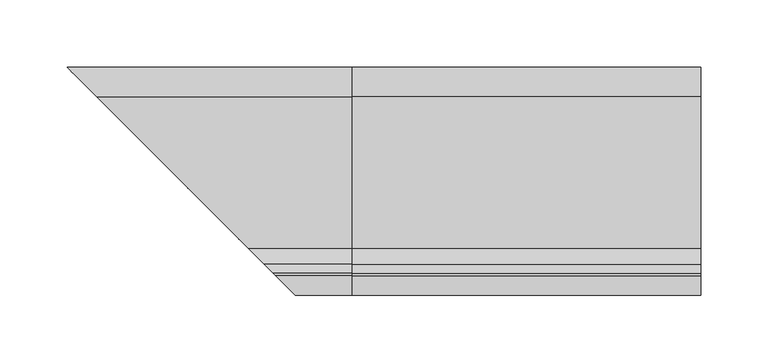
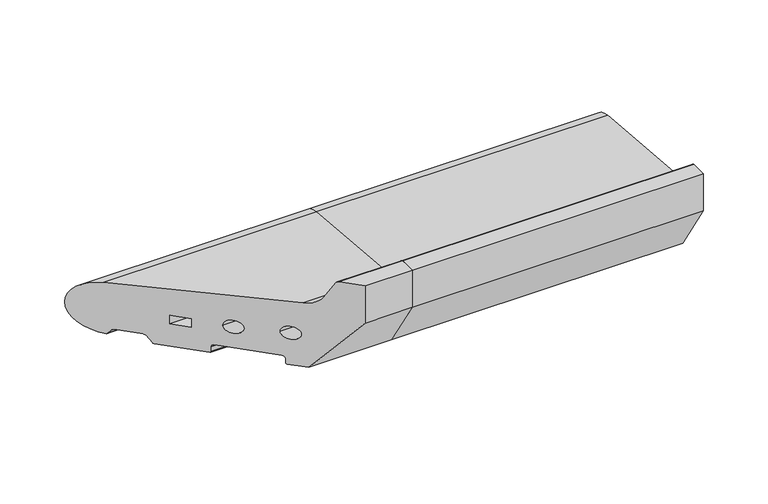
"""IFC4 building model written with IfcOpenShell, lengths in millimetres: proxy geometry."""

from ifc_helpers import new_model, si_unit, point, frame, frame_2d, origin, place, context, project, spatial, polyline, circle_curve, ellipse_curve, trimmed, segment, composite_curve, outline, extrude, source, transform, mapped, element, save
from ifc_brep_helpers import plane_surface, cylinder_surface, revolved_surface, advanced_brep


def generic_models_5caa3910(model_context):
    return source(origin(), model_context, "Body", "SolidModel", [
        advanced_brep(
        [(0.0, 28.0858073, 50.4091909), (0.0, -85.0967541, 60.2830933), (0.0, -96.6696696, 68.5358083), (0.0, -103.4717243, 83.8134733), (0.0, -105.2988152, 85.0), (0.0, -120.0, 85.0), (0.0, -120.0, 50.0), (0.0, -88.0, 0.0), (0.0, -76.0, 0.0), (0.0, -75.0, 1.0), (0.0, -75.0, 5.5), (0.0, -73.0, 7.5), (0.0, -35.0, 7.5), (0.0, -33.0, 5.5), (0.0, -33.0, 1.0), (0.0, -32.0, 0.0), (0.0, -0.5773503, 0.0), (0.0, 0.2886751, 0.5), (0.0, 3.7527767, 6.5), (0.0, 5.4848276, 7.5), (0.0, 21.9585481, 7.5), (0.0, 23.6905989, 6.5), (0.0, 25.7072001, 3.0071443), (0.0, 26.5981483, 2.5074549), (0.0, -9.5, 28.9289), (0.0, -9.5, 20.9289), (0.0, -21.5, 20.9289), (0.0, -21.5, 28.9289), (0.0, -51.5, 27.333), (0.0, -39.5, 27.333), (0.0, -84.0, 30.0), (0.0, -72.0, 30.0), (-188.5981483, 26.5981483, 2.5074549), (-212.0, 50.0, 26.5), (-190.0858073, 28.0858073, 50.4091909), (-187.7072001, 25.7072001, 3.0071443), (-185.6905989, 23.6905989, 6.5), (-183.9585481, 21.9585481, 7.5), (-167.4848276, 5.4848276, 7.5), (-165.7527767, 3.7527767, 6.5), (-162.2886751, 0.2886751, 0.5), (-161.4226497, -0.5773503, 0.0), (-130.0, -32.0, 0.0), (-129.0, -33.0, 1.0), (-129.0, -33.0, 5.5), (-127.0, -35.0, 7.5), (-89.0, -73.0, 7.5), (-87.0, -75.0, 5.5), (-87.0, -75.0, 1.0), (-86.0, -76.0, 0.0), (-74.0, -88.0, 0.0), (-42.0, -120.0, 50.0), (-56.7011848, -105.2988152, 85.0), (-42.0, -120.0, 85.0), (-58.5282757, -103.4717243, 83.8134733), (-65.3303304, -96.6696696, 68.5358083), (-76.9032459, -85.0967541, 60.2830933), (-140.5, -21.5, 28.9289), (-152.5, -9.5, 28.9289), (-140.5, -21.5, 20.9289), (-152.5, -9.5, 20.9289), (-122.5, -39.5, 27.333), (-110.5, -51.5, 27.333), (-90.0, -72.0, 30.0), (-78.0, -84.0, 30.0)],
        [
            (0, 1),
            (1, 2, circle_curve(frame((0.0, -83.8800332, 74.2301213), z_axis=(-1.0, 0.0, 0.0), x_axis=(0.0, 1.0, 0.0)), 14.0)),
            (2, 3),
            (3, 4, circle_curve(frame((0.0, -105.2988152, 83.0), z_axis=(1.0, 0.0, 0.0), x_axis=(0.0, 1.0, 0.0)), 2.0)),
            (4, 5),
            (5, 6),
            (6, 7),
            (7, 8),
            (8, 9, circle_curve(frame((0.0, -76.0, 1.0), z_axis=(1.0, 0.0, 0.0), x_axis=(0.0, 1.0, 0.0)), 1.0)),
            (9, 10),
            (10, 11, circle_curve(frame((0.0, -73.0, 5.5), z_axis=(-1.0, 0.0, 0.0), x_axis=(0.0, 1.0, 0.0)), 2.0)),
            (11, 12),
            (12, 13, circle_curve(frame((0.0, -35.0, 5.5), z_axis=(-1.0, 0.0, 0.0), x_axis=(0.0, 1.0, 0.0)), 2.0)),
            (13, 14),
            (14, 15, circle_curve(frame((0.0, -32.0, 1.0), z_axis=(1.0, 0.0, 0.0), x_axis=(0.0, 1.0, 0.0)), 1.0)),
            (15, 16),
            (16, 17, circle_curve(frame((0.0, -0.5773503, 1.0), z_axis=(1.0, 0.0, 0.0), x_axis=(0.0, 1.0, 0.0)), 1.0)),
            (17, 18),
            (18, 19, circle_curve(frame((0.0, 5.4848276, 5.5), z_axis=(-1.0, 0.0, 0.0), x_axis=(0.0, 1.0, 0.0)), 2.0)),
            (19, 20),
            (20, 21, circle_curve(frame((0.0, 21.9585481, 5.5), z_axis=(-1.0, 0.0, 0.0), x_axis=(0.0, 1.0, 0.0)), 2.0)),
            (21, 22),
            (22, 23, circle_curve(frame((0.0, 26.5732255, 3.5071443), z_axis=(1.0, 0.0, 0.0), x_axis=(0.0, 1.0, 0.0)), 1.0)),
            (23, 0, circle_curve(frame((0.0, 26.0, 26.5), z_axis=(1.0, 0.0, 0.0), x_axis=(0.0, 1.0, 0.0)), 24.0)),
            (24, 25),
            (25, 26),
            (26, 27),
            (27, 24),
            (28, 29, circle_curve(frame((0.0, -45.5, 27.333), z_axis=(-1.0, 0.0, 0.0), x_axis=(0.0, 1.0, 0.0)), 6.0)),
            (29, 28, circle_curve(frame((0.0, -45.5, 27.333), z_axis=(-1.0, 0.0, 0.0), x_axis=(0.0, 1.0, 0.0)), 6.0)),
            (30, 31, circle_curve(frame((0.0, -78.0, 30.0), z_axis=(-1.0, 0.0, 0.0), x_axis=(0.0, 1.0, 0.0)), 6.0)),
            (31, 30, circle_curve(frame((0.0, -78.0, 30.0), z_axis=(-1.0, 0.0, 0.0), x_axis=(0.0, 1.0, 0.0)), 6.0)),
            (23, 32),
            (32, 33, ellipse_curve(frame((-188.0, 26.0, 26.5), z_axis=(0.7071067811865481, 0.707106781186547, 0.0), x_axis=(-0.7071067811865468, 0.7071067811865481, 0.0)), 33.9411255, 24.0)),
            (33, 34, ellipse_curve(frame((-188.0, 26.0, 26.5), z_axis=(0.7071067811865481, 0.707106781186547, 0.0), x_axis=(-0.7071067811865468, 0.7071067811865481, 0.0)), 33.9411255, 24.0)),
            (34, 0),
            (22, 35),
            (35, 32, ellipse_curve(frame((-188.5732255, 26.5732255, 3.5071443), z_axis=(0.7071067811865481, 0.707106781186547, 0.0), x_axis=(-0.7071067811865468, 0.7071067811865481, 0.0)), 1.4142136, 1.0)),
            (21, 36),
            (36, 35),
            (20, 37),
            (37, 36, ellipse_curve(frame((-183.9585481, 21.9585481, 5.5), z_axis=(-0.7071067811865481, -0.707106781186547, 0.0), x_axis=(0.7071067811865468, -0.7071067811865481, 0.0)), 2.8284271, 2.0)),
            (19, 38),
            (38, 37),
            (18, 39),
            (39, 38, ellipse_curve(frame((-167.4848276, 5.4848276, 5.5), z_axis=(-0.7071067811865481, -0.707106781186547, 0.0), x_axis=(0.7071067811865468, -0.7071067811865481, 0.0)), 2.8284271, 2.0)),
            (17, 40),
            (40, 39),
            (16, 41),
            (41, 40, ellipse_curve(frame((-161.4226497, -0.5773503, 1.0), z_axis=(0.7071067811865481, 0.707106781186547, 0.0), x_axis=(-0.7071067811865468, 0.7071067811865481, 0.0)), 1.4142136, 1.0)),
            (15, 42),
            (42, 41),
            (14, 43),
            (43, 42, ellipse_curve(frame((-130.0, -32.0, 1.0), z_axis=(0.7071067811865481, 0.707106781186547, 0.0), x_axis=(-0.7071067811865468, 0.7071067811865481, 0.0)), 1.4142136, 1.0)),
            (13, 44),
            (44, 43),
            (12, 45),
            (45, 44, ellipse_curve(frame((-127.0, -35.0, 5.5), z_axis=(-0.7071067811865481, -0.707106781186547, 0.0), x_axis=(0.7071067811865468, -0.7071067811865481, 0.0)), 2.8284271, 2.0)),
            (11, 46),
            (46, 45),
            (10, 47),
            (47, 46, ellipse_curve(frame((-89.0, -73.0, 5.5), z_axis=(-0.7071067811865481, -0.707106781186547, 0.0), x_axis=(0.7071067811865468, -0.7071067811865481, 0.0)), 2.8284271, 2.0)),
            (9, 48),
            (48, 47),
            (8, 49),
            (49, 48, ellipse_curve(frame((-86.0, -76.0, 1.0), z_axis=(0.7071067811865481, 0.707106781186547, 0.0), x_axis=(-0.7071067811865468, 0.7071067811865481, 0.0)), 1.4142136, 1.0)),
            (7, 50),
            (50, 49),
            (6, 51),
            (51, 50),
            (4, 52),
            (52, 53),
            (53, 5),
            (3, 54),
            (54, 52, ellipse_curve(frame((-56.7011848, -105.2988152, 83.0), z_axis=(0.7071067811865481, 0.707106781186547, 0.0), x_axis=(-0.7071067811865468, 0.7071067811865481, 0.0)), 2.8284271, 2.0)),
            (2, 55),
            (55, 54),
            (1, 56),
            (56, 55, ellipse_curve(frame((-78.1199668, -83.8800332, 74.2301213), z_axis=(-0.7071067811865481, -0.707106781186547, 0.0), x_axis=(0.7071067811865468, -0.7071067811865481, 0.0)), 19.7989899, 14.0)),
            (34, 56),
            (27, 57),
            (57, 58),
            (58, 24),
            (26, 59),
            (59, 57),
            (25, 60),
            (60, 59),
            (58, 60),
            (29, 61),
            (61, 62, ellipse_curve(frame((-116.5, -45.5, 27.333), z_axis=(-0.7071067811865481, -0.707106781186547, 0.0), x_axis=(0.7071067811865468, -0.7071067811865481, 0.0)), 8.4852814, 6.0)),
            (62, 28),
            (62, 61, ellipse_curve(frame((-116.5, -45.5, 27.333), z_axis=(-0.7071067811865481, -0.707106781186547, 0.0), x_axis=(0.7071067811865468, -0.7071067811865481, 0.0)), 8.4852814, 6.0)),
            (31, 63),
            (63, 64, ellipse_curve(frame((-84.0, -78.0, 30.0), z_axis=(-0.7071067811865481, -0.707106781186547, 0.0), x_axis=(0.7071067811865468, -0.7071067811865481, 0.0)), 8.4852814, 6.0)),
            (64, 30),
            (64, 63, ellipse_curve(frame((-84.0, -78.0, 30.0), z_axis=(-0.7071067811865481, -0.707106781186547, 0.0), x_axis=(0.7071067811865468, -0.7071067811865481, 0.0)), 8.4852814, 6.0)),
            (51, 53),
        ],
        [
            plane_surface(frame((0.0, 0.0, 0.0), z_axis=(1.0, 0.0, 0.0), x_axis=(0.0, 0.0, 1.0))),
            cylinder_surface(frame((-212.0, 26.0, 26.5), z_axis=(-1.0, 0.0, 0.0), x_axis=(0.0, 1.0, 0.0)), 24.0),
            cylinder_surface(frame((-212.0, 26.5732255, 3.5071443), z_axis=(-1.0, 0.0, 0.0), x_axis=(0.0, 1.0, 0.0)), 1.0),
            plane_surface(frame((-212.0, 25.7072001, 3.0071443), z_axis=(0.0, -0.8660254037844404, -0.4999999999999971), x_axis=(1.0, 0.0, 0.0))),
            revolved_surface(polyline([(0.0, 23.9585481, 5.5), (-185.9585480825018, 23.9585481, 5.5)]), (-212.0, 21.9585481, 5.5), (1.0, 0.0, 0.0)),
            plane_surface(frame((-212.0, 21.9585481, 7.5), z_axis=(0.0, 0.0, -1.0), x_axis=(1.0, 0.0, 0.0))),
            revolved_surface(polyline([(0.0, 7.4848276, 5.5), (-169.4848275825018, 7.4848276, 5.5)]), (-212.0, 5.4848276, 5.5), (1.0, 0.0, 0.0)),
            plane_surface(frame((-212.0, 3.7527767, 6.5), z_axis=(0.0, 0.8660254037844436, -0.4999999999999914), x_axis=(1.0, 0.0, 0.0))),
            cylinder_surface(frame((-212.0, -0.5773503, 1.0), z_axis=(-1.0, 0.0, 0.0), x_axis=(0.0, 1.0, 0.0)), 1.0),
            plane_surface(frame((-212.0, -0.5773503, 0.0), z_axis=(0.0, 0.0, -1.0), x_axis=(1.0, 0.0, 0.0))),
            cylinder_surface(frame((-212.0, -32.0, 1.0), z_axis=(-1.0, 0.0, 0.0), x_axis=(0.0, 1.0, 0.0)), 1.0),
            plane_surface(frame((-212.0, -33.0, 1.0), z_axis=(0.0, -1.0, 0.0), x_axis=(1.0, 0.0, 0.0))),
            revolved_surface(polyline([(0.0, -33.0, 5.5), (-129.0, -33.0, 5.5)]), (-212.0, -35.0, 5.5), (1.0, 0.0, 0.0)),
            plane_surface(frame((-212.0, -35.0, 7.5), z_axis=(0.0, 0.0, -1.0), x_axis=(1.0, 0.0, 0.0))),
            revolved_surface(polyline([(0.0, -71.0, 5.5), (-90.9999999825018, -71.0, 5.5)]), (-212.0, -73.0, 5.5), (1.0, 0.0, 0.0)),
            plane_surface(frame((-212.0, -75.0, 5.5), z_axis=(0.0, 1.0, 0.0), x_axis=(1.0, 0.0, 0.0))),
            cylinder_surface(frame((-212.0, -76.0, 1.0), z_axis=(-1.0, 0.0, 0.0), x_axis=(0.0, 1.0, 0.0)), 1.0),
            plane_surface(frame((-212.0, -76.0, 0.0), z_axis=(0.0, 0.0, -1.0), x_axis=(1.0, 0.0, 0.0))),
            plane_surface(frame((-212.0, -88.0, 0.0), z_axis=(0.0, -0.8422714006615114, -0.5390536964233673), x_axis=(1.0, 0.0, 0.0))),
            plane_surface(frame((-212.0, -120.0, 85.0), z_axis=(0.0, 0.0, 1.0), x_axis=(1.0, 0.0, 0.0))),
            cylinder_surface(frame((-212.0, -105.2988152, 83.0), z_axis=(-1.0, 0.0, 0.0), x_axis=(0.0, 1.0, 0.0)), 2.0),
            plane_surface(frame((-212.0, -103.4717243, 83.8134733), z_axis=(0.0, 0.9135454576426015, 0.406736643075799), x_axis=(1.0, 0.0, 0.0))),
            revolved_surface(polyline([(0.0, -69.8800332, 74.2301213), (-92.11996681893393, -69.8800332, 74.2301213)]), (-212.0, -83.8800332, 74.2301213), (1.0, 0.0, 0.0)),
            plane_surface(frame((-212.0, -85.0967541, 60.2830933), z_axis=(0.0, 0.08690863944627715, 0.9962162859487879), x_axis=(1.0, 0.0, 0.0))),
            plane_surface(frame((-212.0, -9.5, 28.9289), z_axis=(0.0, 0.0, -1.0), x_axis=(1.0, 0.0, 0.0))),
            plane_surface(frame((-212.0, -21.5, 28.9289), z_axis=(0.0, 1.0, 0.0), x_axis=(1.0, 0.0, 0.0))),
            plane_surface(frame((-212.0, -21.5, 20.9289), z_axis=(0.0, 0.0, 1.0), x_axis=(1.0, 0.0, 0.0))),
            plane_surface(frame((-212.0, -9.5, 20.9289), z_axis=(0.0, -1.0, 0.0), x_axis=(1.0, 0.0, 0.0))),
            revolved_surface(polyline([(0.0, -39.5, 27.333), (-122.50000001821607, -39.5, 27.333)]), (-212.0, -45.5, 27.333), (1.0, 0.0, 0.0)),
            revolved_surface(polyline([(0.0, -72.0, 30.0), (-90.00000001821607, -72.0, 30.0)]), (-212.0, -78.0, 30.0), (1.0, 0.0, 0.0)),
            plane_surface(frame((-127.0, -35.0, 0.0), z_axis=(-0.7071067811865481, -0.707106781186547, 0.0), x_axis=(0.0, 0.0, 1.0))),
            plane_surface(frame((-212.0, -120.0, 50.0), z_axis=(0.0, -1.0, 0.0), x_axis=(1.0, 0.0, 0.0))),
        ],
        [
            (0, [[1, 2, 3, 4, 5, 6, 7, 8, 9, 10, 11, 12, 13, 14, 15, 16, 17, 18, 19, 20, 21, 22, 23, 24], [25, 26, 27, 28], [29, 30], [31, 32]]),
            (1, [[-24, 33, 34, 35, 36]]),
            (2, [[-23, 37, 38, -33]]),
            (3, [[-22, 39, 40, -37]]),
            (4, [[-21, 41, 42, -39]]),
            (5, [[-20, 43, 44, -41]]),
            (6, [[-19, 45, 46, -43]]),
            (7, [[-18, 47, 48, -45]]),
            (8, [[-17, 49, 50, -47]]),
            (9, [[-16, 51, 52, -49]]),
            (10, [[-15, 53, 54, -51]]),
            (11, [[-14, 55, 56, -53]]),
            (12, [[-13, 57, 58, -55]]),
            (13, [[-12, 59, 60, -57]]),
            (14, [[-11, 61, 62, -59]]),
            (15, [[-10, 63, 64, -61]]),
            (16, [[-9, 65, 66, -63]]),
            (17, [[-8, 67, 68, -65]]),
            (18, [[-7, 69, 70, -67]]),
            (19, [[-5, 71, 72, 73]]),
            (20, [[-4, 74, 75, -71]]),
            (21, [[-3, 76, 77, -74]]),
            (22, [[-2, 78, 79, -76]]),
            (23, [[-1, -36, 80, -78]]),
            (24, [[-28, 81, 82, 83]]),
            (25, [[-27, 84, 85, -81]]),
            (26, [[-26, 86, 87, -84]]),
            (27, [[-25, -83, 88, -86]]),
            (28, [[-30, 89, 90, 91]]),
            (28, [[-29, -91, 92, -89]]),
            (29, [[-32, 93, 94, 95]]),
            (29, [[-31, -95, 96, -93]]),
            (30, [[-35, -34, -38, -40, -42, -44, -46, -48, -50, -52, -54, -56, -58, -60, -62, -64, -66, -68, -70, 97, -72, -75, -77, -79, -80], [-82, -85, -87, -88], [-90, -92], [-94, -96]]),
            (31, [[-6, -73, -97, -69]]),
        ],
    ),
        extrude(outline(composite_curve([segment(trimmed(circle_curve(frame_2d((26.0, 26.5)), 24.0), [point((28.0858073, 50.4091909))], [point((26.5981483, 2.5074549))], False, "CARTESIAN"), True, "CONTINUOUS"), segment(trimmed(circle_curve(frame_2d((26.5732255, 3.5071443)), 1.0), [point((26.5981483, 2.5074549))], [point((25.7072001, 3.0071443))], False, "CARTESIAN"), True, "CONTINUOUS"), segment(polyline([(25.7072001, 3.0071443), (23.6905989, 6.5)]), True, "CONTINUOUS"), segment(trimmed(circle_curve(frame_2d((21.9585481, 5.5)), 2.0), [point((23.6905989, 6.5))], [point((21.9585481, 7.5))], True, "CARTESIAN"), True, "CONTINUOUS"), segment(polyline([(21.9585481, 7.5), (5.4848276, 7.5)]), True, "CONTINUOUS"), segment(trimmed(circle_curve(frame_2d((5.4848276, 5.5)), 2.0), [point((5.4848276, 7.5))], [point((3.7527767, 6.5))], True, "CARTESIAN"), True, "CONTINUOUS"), segment(polyline([(3.7527767, 6.5), (0.2886751, 0.5)]), True, "CONTINUOUS"), segment(trimmed(circle_curve(frame_2d((-0.5773503, 1.0)), 1.0), [point((0.2886751, 0.5))], [point((-0.5773503, 0.0))], False, "CARTESIAN"), True, "CONTINUOUS"), segment(polyline([(-0.5773503, 0.0), (-32.0, 0.0)]), True, "CONTINUOUS"), segment(trimmed(circle_curve(frame_2d((-32.0, 1.0)), 1.0), [point((-32.0, 0.0))], [point((-33.0, 1.0))], False, "CARTESIAN"), True, "CONTINUOUS"), segment(polyline([(-33.0, 1.0), (-33.0, 5.5)]), True, "CONTINUOUS"), segment(trimmed(circle_curve(frame_2d((-35.0, 5.5)), 2.0), [point((-33.0, 5.5))], [point((-35.0, 7.5))], True, "CARTESIAN"), True, "CONTINUOUS"), segment(polyline([(-35.0, 7.5), (-73.0, 7.5)]), True, "CONTINUOUS"), segment(trimmed(circle_curve(frame_2d((-73.0, 5.5)), 2.0), [point((-73.0, 7.5))], [point((-75.0, 5.5))], True, "CARTESIAN"), True, "CONTINUOUS"), segment(polyline([(-75.0, 5.5), (-75.0, 1.0)]), True, "CONTINUOUS"), segment(trimmed(circle_curve(frame_2d((-76.0, 1.0)), 1.0), [point((-75.0, 1.0))], [point((-76.0, 0.0))], False, "CARTESIAN"), True, "CONTINUOUS"), segment(polyline([(-76.0, 0.0), (-88.0, 0.0), (-120.0, 50.0), (-120.0, 85.0), (-105.2988152, 85.0)]), True, "CONTINUOUS"), segment(trimmed(circle_curve(frame_2d((-105.2988152, 83.0)), 2.0), [point((-105.2988152, 85.0))], [point((-103.4717243, 83.8134733))], False, "CARTESIAN"), True, "CONTINUOUS"), segment(polyline([(-103.4717243, 83.8134733), (-96.6696696, 68.5358083)]), True, "CONTINUOUS"), segment(trimmed(circle_curve(frame_2d((-83.8800332, 74.2301213)), 14.0), [point((-96.6696696, 68.5358083))], [point((-85.0967541, 60.2830933))], True, "CARTESIAN"), True, "CONTINUOUS"), segment(polyline([(-85.0967541, 60.2830933), (28.0858073, 50.4091909)]), True, "CONTINUOUS")], self_intersect=False), holes=[polyline([(-9.5, 28.9289), (-21.5, 28.9289), (-21.5, 20.9289), (-9.5, 20.9289), (-9.5, 28.9289)]), composite_curve([segment(trimmed(circle_curve(frame_2d((-45.5, 27.333)), 6.0), [point((-51.5, 27.333))], [point((-39.5, 27.333))], True, "CARTESIAN"), True, "CONTINUOUS"), segment(trimmed(circle_curve(frame_2d((-45.5, 27.333)), 6.0), [point((-39.5, 27.333))], [point((-51.5, 27.333))], True, "CARTESIAN"), True, "CONTINUOUS")], self_intersect=False), composite_curve([segment(trimmed(circle_curve(frame_2d((-78.0, 30.0)), 6.0), [point((-84.0, 30.0))], [point((-72.0, 30.0))], True, "CARTESIAN"), True, "CONTINUOUS"), segment(trimmed(circle_curve(frame_2d((-78.0, 30.0)), 6.0), [point((-72.0, 30.0))], [point((-84.0, 30.0))], True, "CARTESIAN"), True, "CONTINUOUS")], self_intersect=False)]), frame((0.0, 0.0, 0.0), z_axis=(1.0, 0.0, 0.0), x_axis=(0.0, 1.0, 0.0)), (0.0, 0.0, 1.0), 260.0),
    ])


if __name__ == "__main__":
    model = new_model("IFC4")
    model_context = context("Model", 3, world=origin())
    ifc_project = project(units=[si_unit("LENGTHUNIT", "METRE", prefix="MILLI")], contexts=[model_context])
    site = spatial("IfcSite", under=ifc_project)
    building = spatial("IfcBuilding", under=site)
    placement = place(None, origin())
    generic_models_shape = generic_models_5caa3910(model_context)
    element("IfcBuildingElementProxy", 1, Name="Generic Models", at=placement, inside=building, context=model_context, shape_type="MappedRepresentation", body=[
        mapped(generic_models_shape, transform((0.0, 0.0, 0.0), x_axis=(1.0, 0.0, 0.0), y_axis=(0.0, 1.0, 0.0), z_axis=(0.0, 0.0, 1.0))),
    ])
    save(model, "model.ifc")
